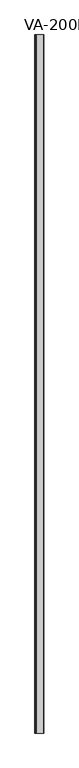
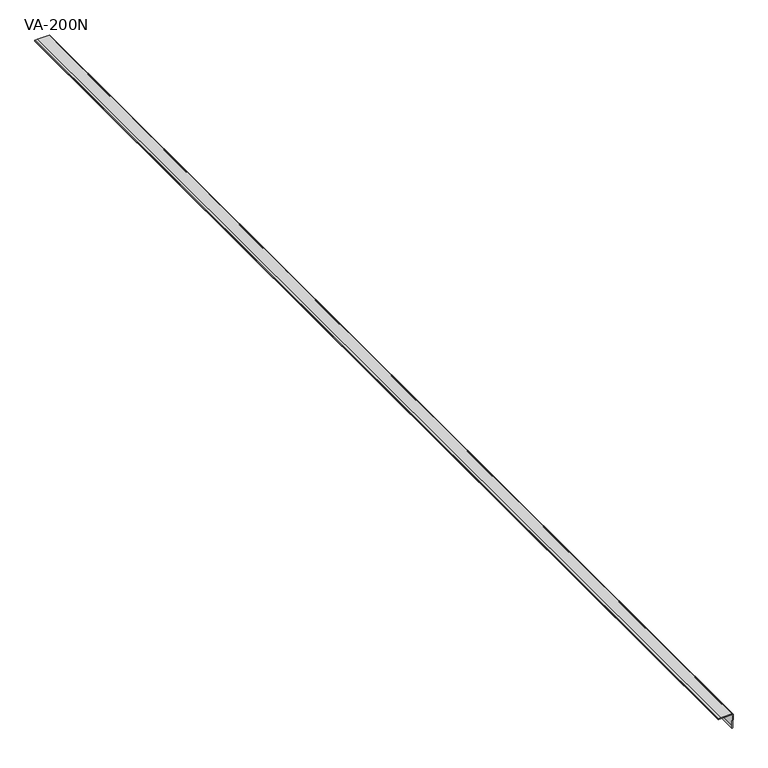
"""IFC4 building model written with IfcOpenShell, lengths in millimetres: proxy geometry, VA-200N."""

from ifc_helpers import new_model, si_unit, point, frame, frame_2d, origin, place, context, project, spatial, polyline, circle_curve, trimmed, segment, composite_curve, outline, extrude, source, transform, mapped, element, save


def va_200n_5f100aab(model_context):
    return source(origin(), model_context, "Body", "SweptSolid", [
        extrude(outline(composite_curve([segment(polyline([(1.9962575, -34.0504491), (0.7597616, -34.0504491), (1.3118263, -27.5483533), (1.8248404, 1.2944365)]), True, "CONTINUOUS"), segment(trimmed(circle_curve(frame_2d((1.0475667, 1.2760846)), 0.7774903), [point((1.8248404, 1.2944365))], [point((1.0266467, 2.0532934))], True, "CARTESIAN"), True, "CONTINUOUS"), segment(polyline([(1.0266467, 2.0532934), (-27.7194611, 1.597006), (-34.2785928, 0.7388018), (-34.2785928, 2.0532934)]), True, "CONTINUOUS"), segment(trimmed(circle_curve(frame_2d((-33.116823, 2.0963594)), 1.1625678), [point((-34.2785928, 2.0532934))], [point((-33.2519461, 3.2510479))], False, "CARTESIAN"), True, "CONTINUOUS"), segment(polyline([(-33.2519461, 3.2510479), (-27.8905689, 3.8784431), (1.8251497, 4.3917665)]), True, "CONTINUOUS"), segment(trimmed(circle_curve(frame_2d((1.8251497, 2.0532934)), 2.3384731), [point((1.8251497, 4.3917665))], [point((4.1636228, 2.0532934))], False, "CARTESIAN"), True, "CONTINUOUS"), segment(polyline([(4.1636228, 2.0532934), (3.6502994, -27.6624251), (3.194012, -32.9667665)]), True, "CONTINUOUS"), segment(trimmed(circle_curve(frame_2d((1.9962575, -32.8466908)), 1.2037583), [point((3.194012, -32.9667665))], [point((1.9962575, -34.0504491))], False, "CARTESIAN"), True, "CONTINUOUS")], self_intersect=False)), frame((0.0, -1141.4125, 0.0), z_axis=(0.0, 1.0, 0.0), x_axis=(0.0, 0.0, 1.0)), (0.0, 0.0, 1.0), 3021.0125),
    ])


if __name__ == "__main__":
    model = new_model("IFC4")
    model_context = context("Model", 3, world=origin())
    ifc_project = project(units=[si_unit("LENGTHUNIT", "METRE", prefix="MILLI")], contexts=[model_context])
    site = spatial("IfcSite", under=ifc_project)
    building = spatial("IfcBuilding", under=site)
    placement = place(None, origin())
    va_200n_shape = va_200n_5f100aab(model_context)
    element("IfcBuildingElementProxy", 1, Name="VA-200N", ObjectType="VA-200N", at=placement, inside=building, context=model_context, shape_type="MappedRepresentation", body=[
        mapped(va_200n_shape, transform((0.0, 0.0, 0.0), x_axis=(1.0, 0.0, 0.0), y_axis=(0.0, 1.0, 0.0), z_axis=(0.0, 0.0, 1.0))),
    ])
    save(model, "model.ifc")
